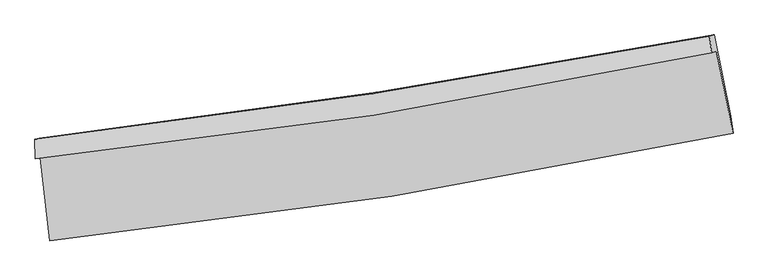
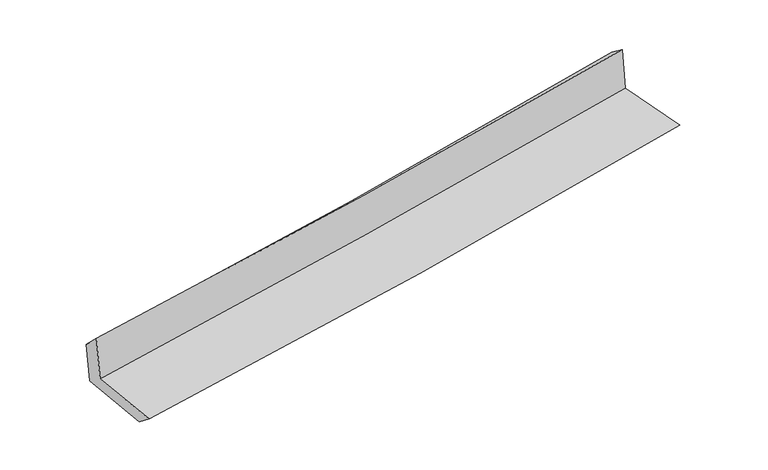
"""IFC4 building model written with IfcOpenShell, lengths in millimetres: proxy geometry."""

import ifcopenshell
import ifcopenshell.guid

model = None  # the IFC model being written
_history = None  # IfcOwnerHistory: only IFC2X3 demands one
_inside = {}  # id of a spatial element -> (the spatial element, [elements in it])
_under = {}  # id of a project, library or spatial element -> (it, [spatial elements below it])
_declared = {}  # id of a project -> (the project, [libraries it declares])
_typed = {}  # id of a type object -> (the type object, [elements of that type])
_made_of = {}  # id of a material, layer set ... -> (it, [elements and type objects made of it])


def new_model(schema):
    """Start an empty IFC model of exactly this schema.

    Asked for "IFC4X3", IfcOpenShell would pick the latest addendum, in which some entities
    have other attributes; the version numbers below select the first issue.
    IFC2X3 requires an IfcOwnerHistory on every rooted entity: one is made here for all.
    """
    global model, _history
    if schema == "IFC4X3":
        model = ifcopenshell.file(schema_version=(4, 3, 0, 0))
    else:
        model = ifcopenshell.file(schema=schema)
    _inside.clear()
    _under.clear()
    _declared.clear()
    _typed.clear()
    _made_of.clear()
    _history = None
    if model.schema == "IFC2X3":
        org = make("IfcOrganization", Name="unknown")
        user = make(
            "IfcPersonAndOrganization",
            ThePerson=make("IfcPerson", FamilyName="unknown"),
            TheOrganization=org,
        )
        app = make(
            "IfcApplication",
            ApplicationDeveloper=org,
            Version="unknown",
            ApplicationFullName="unknown",
            ApplicationIdentifier="unknown",
        )
        _history = make(
            "IfcOwnerHistory",
            OwningUser=user,
            OwningApplication=app,
            ChangeAction="ADDED",
            CreationDate=0,
        )
    return model


def make(cls, **values):
    """One entity of the class cls with the attributes given. An attribute that is None is left unset."""
    return model.create_entity(
        cls, **{name: value for name, value in values.items() if value is not None}
    )


def rooted(cls, **values):
    """An entity with a GlobalId (a new one), such as an element, a storey or a relation."""
    return make(cls, GlobalId=ifcopenshell.guid.new(), OwnerHistory=_history, **values)


def si_unit(unit_type, name, prefix=None):
    """IfcSIUnit, for example si_unit("LENGTHUNIT", "METRE", prefix="MILLI")."""
    return make("IfcSIUnit", UnitType=unit_type, Prefix=prefix, Name=name)


def assignment(units):
    """IfcUnitAssignment: the units of a project."""
    return None if units is None else make("IfcUnitAssignment", Units=units)


def point(xyz):
    """IfcCartesianPoint."""
    return None if xyz is None else make("IfcCartesianPoint", Coordinates=xyz)


def direction(xyz):
    """IfcDirection."""
    return None if xyz is None else make("IfcDirection", DirectionRatios=xyz)


def frame(location, z_axis=None, x_axis=None):
    """IfcAxis2Placement3D, a coordinate frame: its origin and axes. An axis left out is left unset."""
    return make(
        "IfcAxis2Placement3D",
        Location=point(location),
        Axis=direction(z_axis),
        RefDirection=direction(x_axis),
    )


def origin():
    """The frame at (0, 0, 0) with its axes left unset."""
    return frame((0.0, 0.0, 0.0))


def place(relative_to, where):
    """IfcLocalPlacement: puts the frame where relative to a parent placement (None: the world)."""
    return make(
        "IfcLocalPlacement", PlacementRelTo=relative_to, RelativePlacement=where
    )


def context(
    kind, dimensions, precision=None, world=None, true_north=None, identifier=None
):
    """IfcGeometricRepresentationContext, for example the 3D "Model" context."""
    return make(
        "IfcGeometricRepresentationContext",
        ContextIdentifier=identifier,
        ContextType=kind,
        CoordinateSpaceDimension=dimensions,
        Precision=precision,
        WorldCoordinateSystem=world,
        TrueNorth=true_north,
    )


def project(units=None, contexts=None):
    """IfcProject with its units and contexts."""
    return rooted(
        "IfcProject",
        Name="project",
        RepresentationContexts=contexts,
        UnitsInContext=assignment(units),
    )


def spatial(cls, under=None, at=None, **own):
    """A site, building, storey or space (cls), placed at a placement, below another one or the project."""
    s = rooted(cls, ObjectPlacement=at, **own)
    if under is not None:
        _under.setdefault(under.id(), (under, []))[1].append(s)
    return s


def shape(context_of_items, identifier, shape_type, items):
    """IfcShapeRepresentation: the items that make up one representation, for example the "Body"."""
    return make(
        "IfcShapeRepresentation",
        ContextOfItems=context_of_items,
        RepresentationIdentifier=identifier,
        RepresentationType=shape_type,
        Items=items,
    )


def source(mapping_origin, context_of_items, identifier, shape_type, items):
    """IfcRepresentationMap: a shape defined once, which mapped items show again and again."""
    return make(
        "IfcRepresentationMap",
        MappingOrigin=mapping_origin,
        MappedRepresentation=shape(context_of_items, identifier, shape_type, items),
    )


def transform(
    local_origin,
    x_axis=None,
    y_axis=None,
    z_axis=None,
    scale=None,
    scale2=None,
    scale3=None,
    uniform=True,
):
    """IfcCartesianTransformationOperator3D, or its non-uniform kind. x_axis, y_axis, z_axis: its Axis1, 2, 3."""
    if uniform:
        return make(
            "IfcCartesianTransformationOperator3D",
            Axis1=direction(x_axis),
            Axis2=direction(y_axis),
            LocalOrigin=point(local_origin),
            Scale=scale,
            Axis3=direction(z_axis),
        )
    return make(
        "IfcCartesianTransformationOperator3DnonUniform",
        Axis1=direction(x_axis),
        Axis2=direction(y_axis),
        LocalOrigin=point(local_origin),
        Scale=scale,
        Axis3=direction(z_axis),
        Scale2=scale2,
        Scale3=scale3,
    )


def mapped(mapping_source, mapping_target):
    """IfcMappedItem: shows the shape of a source again, moved by a transform."""
    return make(
        "IfcMappedItem", MappingSource=mapping_source, MappingTarget=mapping_target
    )


def made_of(thing, what):
    """Note that an element or type object is made of a material, layer set ...; save() writes the relation."""
    if what is not None:
        _made_of.setdefault(what.id(), (what, []))[1].append(thing)
    return thing


def element(
    cls,
    number,
    at=None,
    inside=None,
    cuts=None,
    type_object=None,
    material=None,
    context=None,
    identifier="Body",
    shape_type=None,
    held_by="IfcProductDefinitionShape",
    body=None,
    shapes=None,
    **own,
):
    """One element of the class cls, such as IfcWall. Its Tag is "e" and its number.

    at: its placement. inside: the storey or other place that contains it. cuts: it is an
    opening in that element (IfcRelVoidsElement). A single representation is given by context,
    identifier, shape_type and body (its items); several are given by shapes. held_by: the class
    of the entity that holds the representations. save() writes the other relations.
    """
    e = rooted(cls, Tag="e%d" % number, ObjectPlacement=at, **own)
    if body is not None:
        shapes = [shape(context, identifier, shape_type, body)]
    if shapes is not None:
        e.Representation = make(held_by, Representations=shapes)
    if inside is not None:
        _inside.setdefault(inside.id(), (inside, []))[1].append(e)
    if cuts is not None:
        rooted(
            "IfcRelVoidsElement", RelatingBuildingElement=cuts, RelatedOpeningElement=e
        )
    if type_object is not None:
        _typed.setdefault(type_object.id(), (type_object, []))[1].append(e)
    return made_of(e, material)


def aggregate(whole, parts):
    """IfcRelAggregates: a whole, such as a stair, and the parts it consists of."""
    return rooted("IfcRelAggregates", RelatingObject=whole, RelatedObjects=parts)


def save(model, path):
    """Write the relations noted so far, then the file.

    IfcRelAggregates (storeys below a building ...), IfcRelContainedInSpatialStructure (elements
    in a storey), IfcRelDefinesByType, IfcRelAssociatesMaterial and IfcRelDeclares: one each for
    every whole, place, type object, material and project.
    """
    for whole, parts in _under.values():
        aggregate(whole, parts)
    for where, things in _inside.values():
        rooted(
            "IfcRelContainedInSpatialStructure",
            RelatedElements=things,
            RelatingStructure=where,
        )
    for kind, things in _typed.values():
        rooted("IfcRelDefinesByType", RelatedObjects=things, RelatingType=kind)
    for what, things in _made_of.values():
        rooted("IfcRelAssociatesMaterial", RelatedObjects=things, RelatingMaterial=what)
    for by, libraries in _declared.values():
        rooted("IfcRelDeclares", RelatingContext=by, RelatedDefinitions=libraries)
    model.write(path)


def plane_surface(at):
    """IfcPlane: the flat surface through the origin of the frame at, square to its z axis."""
    return make("IfcPlane", Position=at)


def spline_curve(degree, points, multiplicities, knots, weights=None):
    """IfcBSplineCurveWithKnots; with weights, IfcRationalBSplineCurveWithKnots."""
    own = dict(
        Degree=degree,
        ControlPointsList=[point(p) for p in points],
        CurveForm="UNSPECIFIED",
        ClosedCurve=False,
        SelfIntersect=False,
        KnotMultiplicities=multiplicities,
        Knots=knots,
        KnotSpec="UNSPECIFIED",
    )
    if weights is None:
        return make("IfcBSplineCurveWithKnots", **own)
    return make("IfcRationalBSplineCurveWithKnots", WeightsData=weights, **own)


def spline_surface(u_degree, v_degree, points, u_multiplicities, v_multiplicities, u_knots, v_knots, weights=None):
    """IfcBSplineSurfaceWithKnots; with weights, IfcRationalBSplineSurfaceWithKnots. points: one row for each step in u."""
    own = dict(
        UDegree=u_degree,
        VDegree=v_degree,
        ControlPointsList=[[point(p) for p in row] for row in points],
        SurfaceForm="UNSPECIFIED",
        UClosed=False,
        VClosed=False,
        SelfIntersect=False,
        UMultiplicities=u_multiplicities,
        VMultiplicities=v_multiplicities,
        UKnots=u_knots,
        VKnots=v_knots,
        KnotSpec="UNSPECIFIED",
    )
    if weights is None:
        return make("IfcBSplineSurfaceWithKnots", **own)
    return make("IfcRationalBSplineSurfaceWithKnots", WeightsData=weights, **own)


def advanced_brep(points, edges, surfaces, faces):
    """IfcAdvancedBrep: a solid bounded by faces that lie on surfaces and meet in shared edges.

    An edge is (start, end): straight between two places in points (the first is 0);
    or (start, end, curve); or (start, end, curve, False) where it runs against its curve.
    A face is (place in surfaces, loops), or (place, loops, False) where it looks against
    its surface's normal. A loop lists edges by number (the first is 1), with a minus sign
    where the edge is run from its end to its start. The first loop is the outer one.
    """
    corners = [point(p) for p in points]
    vertices = [make("IfcVertexPoint", VertexGeometry=c) for c in corners]
    made = []
    for start, end, *more in edges:
        made.append(
            make(
                "IfcEdgeCurve",
                EdgeStart=vertices[start],
                EdgeEnd=vertices[end],
                EdgeGeometry=more[0] if more else make("IfcPolyline", Points=[corners[start], corners[end]]),
                SameSense=more[1] if len(more) > 1 else True,
            )
        )
    hull = []
    for where, loops, *sense in faces:
        bounds = []
        for j, loop in enumerate(loops):
            ring = [make("IfcOrientedEdge", EdgeElement=made[abs(k) - 1], Orientation=k > 0) for k in loop]
            bounds.append(
                make(
                    "IfcFaceOuterBound" if j == 0 else "IfcFaceBound",
                    Bound=make("IfcEdgeLoop", EdgeList=ring),
                    Orientation=True,
                )
            )
        hull.append(make("IfcAdvancedFace", Bounds=bounds, FaceSurface=surfaces[where], SameSense=sense[0] if sense else True))
    return make("IfcAdvancedBrep", Outer=make("IfcClosedShell", CfsFaces=hull))


def generic_models_df407194(model_context):
    return source(origin(), model_context, "Body", "AdvancedBrep", [
        advanced_brep(
        [(-2702.9675702, -1903.6725684, 1650.7568024), (-2627.8342784, -2561.2578312, 1632.080877), (2787.080576, -1708.2651051, 2101.7280609), (2654.0674677, -1057.2117398, 2114.7294369), (-2742.0263034, -1912.1304574, 2066.751563), (2616.9541784, -1072.6032352, 2515.180197), (-2745.0682941, -1756.7544352, 1918.1825979), (2599.9165734, -938.8541536, 2415.4370145), (-2709.6211434, -1748.0322736, 1539.4394416), (2637.1577529, -929.7642177, 2026.4034501), (-2633.0824119, -2413.188025, 1514.9280425), (2769.7145212, -1575.8230325, 2007.8866292)],
        [
            (0, 1),
            (1, 2, spline_curve(3, [(-2627.8342784, -2561.2578312, 1632.080877), (-1721.189395614, -2468.502410456, 1729.891423281), (-817.552591238, -2351.240099843, 1817.873288929), (987.444056422, -2067.113107263, 1974.504132448), (1888.778870034, -1900.044509211, 2043.071327891), (2787.080576, -1708.2651051, 2101.7280609)], [4, 2, 4], [0.0, 8.962488505178431, 17.962187124212836])),
            (2, 3),
            (3, 0, spline_curve(3, [(2654.0674677, -1057.2117398, 2114.7294369), (1763.954352915, -1238.399429206, 2057.285788267), (871.548675439, -1399.63655859, 1989.798718467), (-914.148588878, -1681.62553419, 1835.058294554), (-1807.421257489, -1802.542014341, 1747.887819375), (-2702.9675702, -1903.6725684, 1650.7568024)], [4, 2, 4], [0.0, 8.999698619034405, 17.962187124212836])),
            (4, 0),
            (3, 5),
            (5, 4, spline_curve(3, [(2616.9541784, -1072.6032352, 2515.180197), (1727.430044939, -1262.025359758, 2464.822867842), (835.155455579, -1426.790980539, 2402.172323401), (-951.194069009, -1706.429920329, 2252.594667532), (-1845.246306662, -1821.506706795, 2165.769000281), (-2742.0263034, -1912.1304574, 2066.751563)], [4, 2, 4], [0.0, 8.951426577762819, 17.865842627036663])),
            (6, 4),
            (5, 7),
            (7, 6, spline_curve(3, [(2599.9165734, -938.8541536, 2415.4370145), (1711.773585918, -1106.234197986, 2334.626473085), (821.359277283, -1258.191889698, 2252.695175762), (-960.321088251, -1530.698050096, 2086.93445489), (-1851.568402126, -1651.37378552, 2003.114280269), (-2745.0682941, -1756.7544352, 1918.1825979)], [4, 2, 4], [0.0, 8.93928873282114, 17.841617122232982])),
            (8, 6),
            (7, 9),
            (9, 8, spline_curve(3, [(2637.1577529, -929.7642177, 2026.4034501), (1748.411460483, -1097.285946189, 1950.490837428), (857.54600163, -1249.345108481, 1871.864521505), (-924.731117775, -1521.973528642, 1709.520791576), (-1816.125291218, -1642.670385071, 1625.825771254), (-2709.6211434, -1748.0322736, 1539.4394416)], [4, 2, 4], [0.0, 8.928245985204638, 17.819577284295125])),
            (10, 8),
            (9, 11),
            (11, 10, spline_curve(3, [(2769.7145212, -1575.8230325, 2007.8866292), (1872.370559404, -1750.315371786, 1930.862858667), (972.527640396, -1907.450631047, 1851.180494602), (-828.425292093, -2186.429062716, 1686.839026953), (-1729.514684438, -2308.415467782, 1602.201861811), (-2633.0824119, -2413.188025, 1514.9280425)], [4, 2, 4], [0.0, 8.977330324093144, 17.917543018183025])),
            (1, 10),
            (11, 2),
        ],
        [
            spline_surface(3, 3, [[(-2702.9675702, -1903.6725684, 1650.7568024), (-1807.421257499, -1802.542014354, 1747.8878193), (-914.148588936, -1681.625534196, 1835.058294448), (871.548675496, -1399.636558584, 1989.798718574), (1763.954352862, -1238.39942925, 2057.285788227), (2654.0674677, -1057.2117398, 2114.7294369)], [(-2677.923139584, -2122.867655997, 1644.53149396), (-1778.677303536, -2024.528813067, 1741.889020658), (-881.949923051, -1904.83038946, 1829.329959296), (910.180469116, -1622.128741458, 1984.700523173), (1805.562525278, -1458.947789183, 2052.547634814), (2698.40517047, -1274.229528224, 2110.395644896)], [(-2652.878709016, -2342.062743603, 1638.30618544), (-1749.933349622, -2246.515611788, 1735.890221935), (-849.751257111, -2128.035244679, 1823.601624152), (948.812262791, -1844.620924288, 1979.602327778), (1847.170697684, -1679.496149143, 2047.809481414), (2742.74287323, -1491.247316676, 2106.061852904)], [(-2627.8342784, -2561.2578312, 1632.080877), (-1721.189395659, -2468.502410502, 1729.891423294), (-817.552591227, -2351.240099943, 1817.873289), (987.44405641, -2067.113107163, 1974.504132377), (1888.778870099, -1900.044509076, 2043.071328001), (2787.080576, -1708.2651051, 2101.7280609)]], [4, 4], [4, 2, 4], [0.0, 2.2215608518126677], [0.0, 8.962488505178431, 17.962187124212836]),
            spline_surface(3, 3, [[(-2742.0263034, -1912.1304574, 2066.751563), (-1845.246306622, -1821.50670676, 2165.76900029), (-951.194068873, -1706.429920212, 2252.594667393), (835.155455443, -1426.790980656, 2402.17232354), (1727.430044917, -1262.025359799, 2464.822867727), (2616.9541784, -1072.6032352, 2515.180197)], [(-2729.006725665, -1909.311161068, 1928.086642806), (-1832.637956913, -1815.185142626, 2026.475273299), (-938.845575566, -1698.161791531, 2113.415876411), (847.286528788, -1417.739506622, 2264.714455218), (1739.604814231, -1254.150049595, 2328.977174561), (2629.325274832, -1067.472736712, 2381.6966103)], [(-2715.987147935, -1906.491864732, 1789.421722594), (-1820.029607208, -1808.863578487, 1887.181546291), (-926.497082243, -1689.893662878, 1974.237085429), (859.417602151, -1408.688032617, 2127.256586896), (1751.779583548, -1246.274739454, 2193.131481393), (2641.696371268, -1062.342238288, 2248.2130236)], [(-2702.9675702, -1903.6725684, 1650.7568024), (-1807.421257499, -1802.542014354, 1747.8878193), (-914.148588936, -1681.625534196, 1835.058294448), (871.548675496, -1399.636558584, 1989.798718574), (1763.954352862, -1238.39942925, 2057.285788227), (2654.0674677, -1057.2117398, 2114.7294369)]], [4, 4], [4, 2, 4], [0.0, 1.3693415085637302], [0.0, 8.914416049273845, 17.865842627036663]),
            spline_surface(3, 3, [[(-2745.0682941, -1756.7544352, 1918.1825979), (-1851.568402176, -1651.373785544, 2003.114280228), (-960.321088325, -1530.698050128, 2086.93445493), (821.359277357, -1258.191889665, 2252.695175722), (1711.773585964, -1106.234197878, 2334.626473213), (2599.9165734, -938.8541536, 2415.4370145)], [(-2744.054297199, -1808.546442622, 1967.70558624), (-1849.461036991, -1708.084759304, 2057.332520222), (-957.278748489, -1589.275340144, 2142.15452574), (825.958003404, -1314.39158665, 2302.52089165), (1716.992405617, -1158.164585208, 2378.025271376), (2605.595775069, -983.437180822, 2448.684741992)], [(-2743.040300301, -1860.338449978, 2017.22857466), (-1847.353671808, -1764.795732999, 2111.550760296), (-954.236408709, -1647.852630197, 2197.374596583), (830.556729396, -1370.591283671, 2352.346607612), (1722.211225264, -1210.09497247, 2421.424069564), (2611.274976731, -1028.020207978, 2481.932469508)], [(-2742.0263034, -1912.1304574, 2066.751563), (-1845.246306622, -1821.50670676, 2165.76900029), (-951.194068873, -1706.429920212, 2252.594667393), (835.155455443, -1426.790980656, 2402.17232354), (1727.430044917, -1262.025359799, 2464.822867727), (2616.9541784, -1072.6032352, 2515.180197)]], [4, 4], [4, 2, 4], [0.0, 0.7665146831672696], [0.0, 8.902328389411842, 17.841617122232982]),
            spline_surface(3, 3, [[(-2709.6211434, -1748.0322736, 1539.4394416), (-1816.125291269, -1642.670384952, 1625.825771275), (-924.731117908, -1521.973528588, 1709.520791577), (857.546001764, -1249.345108534, 1871.864521504), (1748.411460486, -1097.285946276, 1950.490837327), (2637.1577529, -929.7642177, 2026.4034501)], [(-2721.436860299, -1750.939660781, 1665.687160383), (-1827.939661571, -1645.571518464, 1751.588607609), (-936.594441392, -1524.881702459, 1835.325346044), (845.483760284, -1252.294035602, 1998.808072925), (1736.198835658, -1100.268696799, 2078.536049287), (2624.744026412, -932.794196322, 2156.081304898)], [(-2733.252577201, -1753.847048019, 1791.934879117), (-1839.754031875, -1648.472652032, 1877.351443895), (-948.457764841, -1527.789876257, 1961.129900463), (833.421518838, -1255.242962598, 2125.7516243), (1723.986210793, -1103.251447356, 2206.581261253), (2612.330299888, -935.824174978, 2285.759159702)], [(-2745.0682941, -1756.7544352, 1918.1825979), (-1851.568402176, -1651.373785544, 2003.114280228), (-960.321088325, -1530.698050128, 2086.93445493), (821.359277357, -1258.191889665, 2252.695175722), (1711.773585964, -1106.234197878, 2334.626473213), (2599.9165734, -938.8541536, 2415.4370145)]], [4, 4], [4, 2, 4], [0.0, 1.2497556294344565], [0.0, 8.891331299090487, 17.819577284295125]),
            spline_surface(3, 3, [[(-2633.0824119, -2413.188025, 1514.9280425), (-1729.514684424, -2308.415467836, 1602.201861809), (-828.425292183, -2186.429062816, 1686.839026844), (972.527640486, -1907.450630947, 1851.180494711), (1872.370559272, -1750.315371795, 1930.862858577), (2769.7145212, -1575.8230325, 2007.8866292)], [(-2658.595322409, -2191.469441212, 1523.098508852), (-1758.384886714, -2086.50044022, 1610.076498283), (-860.527234077, -1964.943884723, 1694.39961509), (934.200427594, -1688.08212346, 1858.07517031), (1831.050859674, -1532.638896625, 1937.405518167), (2725.528931764, -1360.470094237, 2014.05890284)], [(-2684.108232891, -1969.750857388, 1531.268975248), (-1787.255088979, -1864.585412568, 1617.951134802), (-892.629176015, -1743.458706681, 1701.960203331), (895.873214657, -1468.713616022, 1864.969845904), (1789.731160085, -1314.962421446, 1943.948177737), (2681.343342336, -1145.117155963, 2020.23117646)], [(-2709.6211434, -1748.0322736, 1539.4394416), (-1816.125291269, -1642.670384952, 1625.825771275), (-924.731117908, -1521.973528588, 1709.520791577), (857.546001764, -1249.345108534, 1871.864521504), (1748.411460486, -1097.285946276, 1950.490837327), (2637.1577529, -929.7642177, 2026.4034501)]], [4, 4], [4, 2, 4], [0.0, 2.198195168182039], [0.0, 8.940212694089881, 17.917543018183025]),
            spline_surface(3, 3, [[(-2627.8342784, -2561.2578312, 1632.080877), (-1721.189395659, -2468.502410502, 1729.891423294), (-817.552591227, -2351.240099943, 1817.873289), (987.44405641, -2067.113107163, 1974.504132377), (1888.778870099, -1900.044509076, 2043.071328001), (2787.080576, -1708.2651051, 2101.7280609)], [(-2629.583656244, -2511.901229119, 1593.02993216), (-1723.964491924, -2415.140096266, 1687.328236125), (-821.176824877, -2296.303087567, 1774.19520161), (982.471917771, -2013.892281757, 1933.39625315), (1883.309433144, -1850.134796665, 2005.668504867), (2781.291891053, -1664.117747583, 2070.447583674)], [(-2631.333034056, -2462.544627081, 1553.97898734), (-1726.739588158, -2361.777782072, 1644.765048977), (-824.801058533, -2241.366075192, 1730.517114234), (977.499779126, -1960.671456353, 1892.288373938), (1877.839996228, -1800.225084206, 1968.265681711), (2775.503206147, -1619.970390017, 2039.167106426)], [(-2633.0824119, -2413.188025, 1514.9280425), (-1729.514684424, -2308.415467836, 1602.201861809), (-828.425292183, -2186.429062816, 1686.839026844), (972.527640486, -1907.450630947, 1851.180494711), (1872.370559272, -1750.315371795, 1930.862858577), (2769.7145212, -1575.8230325, 2007.8866292)]], [4, 4], [4, 2, 4], [0.0, 0.6775880326050253], [0.0, 8.999509580144576, 18.03638297681529]),
            plane_surface(frame((2677.481845, -1213.7535806, 2196.8941315), z_axis=(0.975428405801446, 0.19732762266645074, 0.09798588923134191), x_axis=(-0.09526603592898088, -0.023252812324580468, 0.9951802294646814))),
            plane_surface(frame((-2693.4333336, -2049.1725985, 1720.3565541), z_axis=(-0.9893308958382084, -0.11033546044663216, -0.09513393037185967), x_axis=(-0.11347262764618216, 0.9931406681958374, 0.028205955941907945))),
        ],
        [
            (0, [[1, 2, 3, 4]]),
            (1, [[5, -4, 6, 7]]),
            (2, [[8, -7, 9, 10]]),
            (3, [[11, -10, 12, 13]]),
            (4, [[14, -13, 15, 16]]),
            (5, [[17, -16, 18, -2]]),
            (6, [[-12, -9, -6, -3, -18, -15]]),
            (7, [[-1, -5, -8, -11, -14, -17]]),
        ],
    ),
    ])


if __name__ == "__main__":
    model = new_model("IFC4")
    model_context = context("Model", 3, world=origin())
    ifc_project = project(units=[si_unit("LENGTHUNIT", "METRE", prefix="MILLI")], contexts=[model_context])
    site = spatial("IfcSite", under=ifc_project)
    building = spatial("IfcBuilding", under=site)
    placement = place(None, origin())
    generic_models_shape = generic_models_df407194(model_context)
    element("IfcBuildingElementProxy", 1, Name="Generic Models", at=placement, inside=building, context=model_context, shape_type="MappedRepresentation", body=[
        mapped(generic_models_shape, transform((0.0, 0.0, 0.0), x_axis=(1.0, 0.0, 0.0), y_axis=(0.0, 1.0, 0.0), z_axis=(0.0, 0.0, 1.0))),
    ])
    save(model, "model.ifc")
